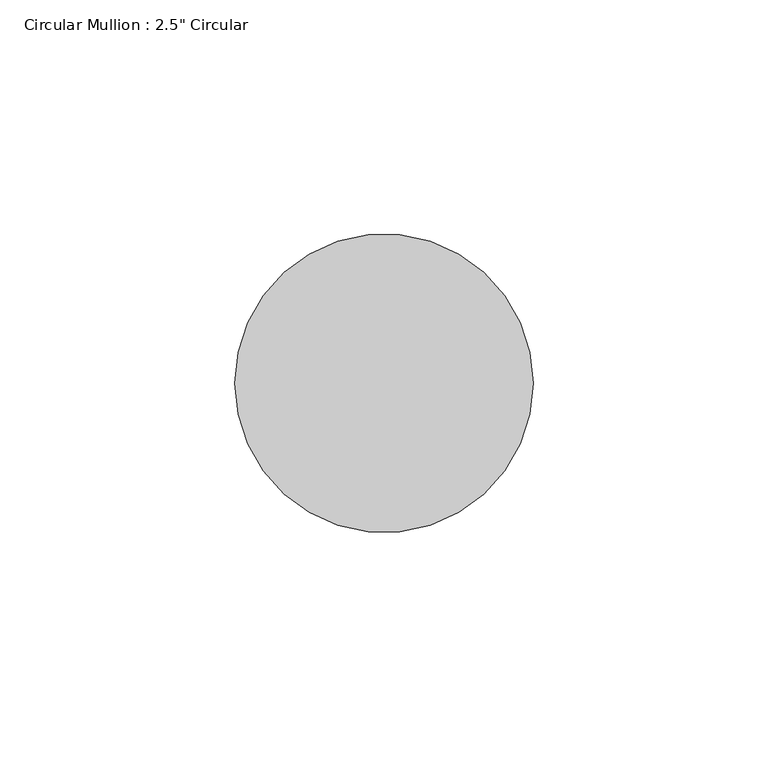
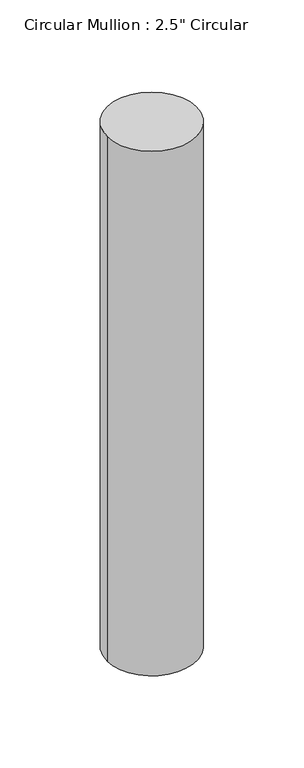
"""IFC4 building model written with IfcOpenShell, lengths in millimetres: member geometry."""

from ifc_helpers import new_model, si_unit, point, frame, origin, origin_2d, place, context, project, spatial, circle_curve, trimmed, segment, composite_curve, outline, extrude, source, transform, mapped, element, save


def member_9caace19(model_context):
    return source(origin(), model_context, "Body", "SweptSolid", [
        extrude(outline(composite_curve([segment(trimmed(circle_curve(origin_2d(), 31.75), [point((31.75, 0.0))], [point((-31.75, 0.0))], False, "CARTESIAN"), True, "CONTINUOUS"), segment(trimmed(circle_curve(origin_2d(), 31.75), [point((-31.75, 0.0))], [point((31.75, 0.0))], False, "CARTESIAN"), True, "CONTINUOUS")], self_intersect=False)), frame((0.0, 0.0, -393.7), z_axis=(0.0, 0.0, 1.0), x_axis=(1.0, 0.0, 0.0)), (0.0, 0.0, 1.0), 393.7),
    ])


if __name__ == "__main__":
    model = new_model("IFC4")
    model_context = context("Model", 3, world=origin())
    ifc_project = project(units=[si_unit("LENGTHUNIT", "METRE", prefix="MILLI")], contexts=[model_context])
    site = spatial("IfcSite", under=ifc_project)
    building = spatial("IfcBuilding", under=site)
    placement = place(None, origin())
    member_shape = member_9caace19(model_context)
    element("IfcMember", 1, ObjectType="Circular Mullion : 2.5\" Circular", at=placement, inside=building, context=model_context, shape_type="MappedRepresentation", body=[
        mapped(member_shape, transform((0.0, 0.0, 0.0), x_axis=(1.0, 0.0, 0.0), y_axis=(0.0, 1.0, 0.0), z_axis=(0.0, 0.0, 1.0))),
    ])
    save(model, "model.ifc")
